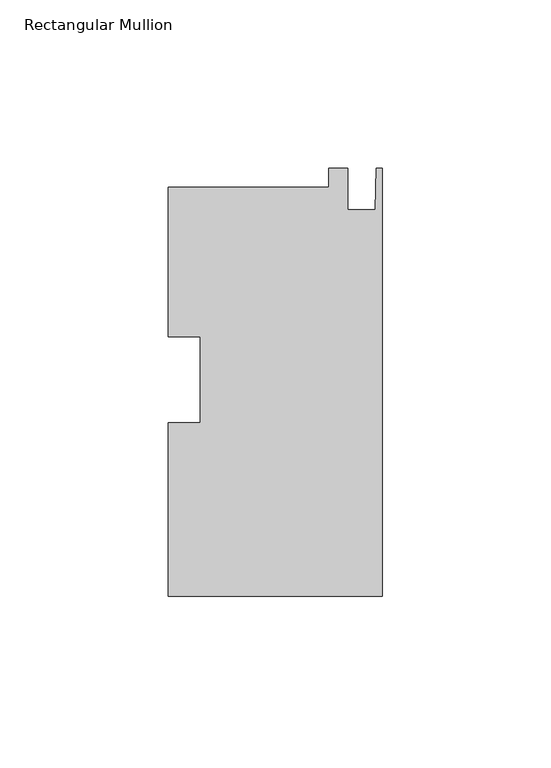
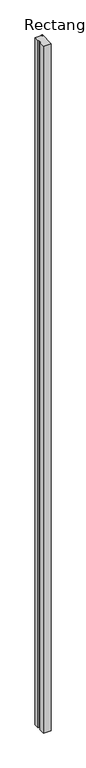
"""IFC4 building model written with IfcOpenShell, lengths in millimetres: member geometry, Rectangular Mullion."""

from ifc_helpers import new_model, si_unit, frame, origin, place, context, project, spatial, polyline, outline, extrude, source, transform, mapped, element, save


def rectangular_mullion_89215139(model_context):
    return source(origin(), model_context, "Body", "SweptSolid", [
        extrude(outline(polyline([(0.0, -64.34957), (-63.5, -64.34957), (-63.5, -12.8171092), (-53.975, -12.8171092), (-53.975, 12.6705892), (-63.5, 12.6705892), (-63.5, 57.08783), (-15.8694428, 57.08783), (-15.8694428, 62.65043), (-10.3124, 62.65043), (-10.3124, 50.30603), (-2.032, 50.30603), (-1.778, 62.65043), (0.0, 62.65043), (0.0, -64.34957)])), frame((0.0, 0.0, -6006.7862383), z_axis=(0.0, 0.0, 1.0), x_axis=(1.0, 0.0, 0.0)), (0.0, 0.0, 1.0), 6006.7862383),
    ])


if __name__ == "__main__":
    model = new_model("IFC4")
    model_context = context("Model", 3, world=origin())
    ifc_project = project(units=[si_unit("LENGTHUNIT", "METRE", prefix="MILLI")], contexts=[model_context])
    site = spatial("IfcSite", under=ifc_project)
    building = spatial("IfcBuilding", under=site)
    placement = place(None, origin())
    rectangular_mullion_shape = rectangular_mullion_89215139(model_context)
    element("IfcMember", 1, ObjectType="Rectangular Mullion", at=placement, inside=building, context=model_context, shape_type="MappedRepresentation", body=[
        mapped(rectangular_mullion_shape, transform((0.0, 0.0, 0.0), x_axis=(1.0, 0.0, 0.0), y_axis=(0.0, 1.0, 0.0), z_axis=(0.0, 0.0, 1.0))),
    ])
    save(model, "model.ifc")
